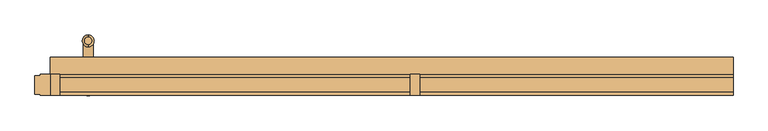
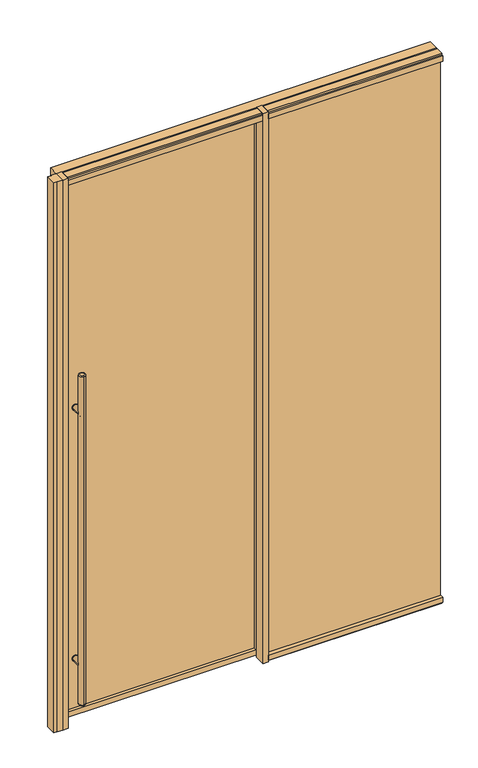
"""IFC4 building model written with IfcOpenShell, lengths in millimetres: door geometry."""

from ifc_helpers import new_model, si_unit, point, frame, frame_2d, origin, origin_with_axes, place, context, project, spatial, polyline, circle_curve, ellipse_curve, trimmed, segment, composite_curve, outline, extrude, source, transform, mapped, element, save
from ifc_brep_helpers import plane_surface, cylinder_surface, revolved_surface, advanced_brep


def door_18ead084(model_context):
    return source(origin(), model_context, "Body", "SolidModel", [
        extrude(outline(composite_curve([segment(trimmed(circle_curve(frame_2d((312.7375, -885.825)), 15.875), [point((312.7375, -901.7))], [point((312.7375, -869.95))], False, "CARTESIAN"), True, "CONTINUOUS"), segment(trimmed(circle_curve(frame_2d((312.7375, -885.825)), 15.875), [point((312.7375, -869.95))], [point((312.7375, -901.7))], False, "CARTESIAN"), True, "CONTINUOUS")], self_intersect=False)), frame((0.0, 47.625, 0.0), z_axis=(0.0, 1.0, 0.0), x_axis=(0.0, 0.0, 1.0)), (0.0, 0.0, 1.0), 3.175),
        extrude(outline(composite_curve([segment(trimmed(circle_curve(frame_2d((1703.3875, -885.825)), 15.875), [point((1703.3875, -869.95))], [point((1703.3875, -901.7))], False, "CARTESIAN"), True, "CONTINUOUS"), segment(trimmed(circle_curve(frame_2d((1703.3875, -885.825)), 15.875), [point((1703.3875, -901.7))], [point((1703.3875, -869.95))], False, "CARTESIAN"), True, "CONTINUOUS")], self_intersect=False)), frame((0.0, 47.625, 0.0), z_axis=(0.0, 1.0, 0.0), x_axis=(0.0, 0.0, 1.0)), (0.0, 0.0, 1.0), 3.175),
        extrude(outline(composite_curve([segment(trimmed(circle_curve(frame_2d((312.7375, -885.825)), 15.875), [point((312.7375, -901.7))], [point((312.7375, -869.95))], False, "CARTESIAN"), True, "CONTINUOUS"), segment(trimmed(circle_curve(frame_2d((312.7375, -885.825)), 15.875), [point((312.7375, -869.95))], [point((312.7375, -901.7))], False, "CARTESIAN"), True, "CONTINUOUS")], self_intersect=False)), frame((0.0, 63.5, 0.0), z_axis=(0.0, 1.0, 0.0), x_axis=(0.0, 0.0, 1.0)), (0.0, 0.0, 1.0), 3.175),
        extrude(outline(composite_curve([segment(trimmed(circle_curve(frame_2d((1703.3875, -885.825)), 15.875), [point((1703.3875, -901.7))], [point((1703.3875, -869.95))], False, "CARTESIAN"), True, "CONTINUOUS"), segment(trimmed(circle_curve(frame_2d((1703.3875, -885.825)), 15.875), [point((1703.3875, -869.95))], [point((1703.3875, -901.7))], False, "CARTESIAN"), True, "CONTINUOUS")], self_intersect=False)), frame((0.0, 63.5, 0.0), z_axis=(0.0, 1.0, 0.0), x_axis=(0.0, 0.0, 1.0)), (0.0, 0.0, 1.0), 3.175),
        extrude(outline(composite_curve([segment(trimmed(circle_curve(frame_2d((312.7375, -885.825)), 14.2875), [point((312.7375, -871.5375))], [point((312.7375, -900.1125))], False, "CARTESIAN"), True, "CONTINUOUS"), segment(trimmed(circle_curve(frame_2d((312.7375, -885.825)), 14.2875), [point((312.7375, -900.1125))], [point((312.7375, -871.5375))], False, "CARTESIAN"), True, "CONTINUOUS")], self_intersect=False)), frame((0.0, 63.5, 0.0), z_axis=(0.0, 1.0, 0.0), x_axis=(0.0, 0.0, 1.0)), (0.0, 0.0, 1.0), 65.0875),
        extrude(outline(composite_curve([segment(trimmed(circle_curve(frame_2d((1703.3875, -885.825)), 14.2875), [point((1703.3875, -871.5375))], [point((1703.3875, -900.1125))], False, "CARTESIAN"), True, "CONTINUOUS"), segment(trimmed(circle_curve(frame_2d((1703.3875, -885.825)), 14.2875), [point((1703.3875, -900.1125))], [point((1703.3875, -871.5375))], False, "CARTESIAN"), True, "CONTINUOUS")], self_intersect=False)), frame((0.0, 63.5, 0.0), z_axis=(0.0, 1.0, 0.0), x_axis=(0.0, 0.0, 1.0)), (0.0, 0.0, 1.0), 65.0875),
        advanced_brep(
        [(-885.825, -3.4925, 1924.05), (-885.825, -25.0825, 1924.05), (-885.825, -25.0825, 95.25), (-885.825, -3.4925, 95.25), (-885.825, -31.4325, 101.6), (-885.825, 2.8575, 101.6), (-885.825, 2.8575, 1917.7), (-885.825, -31.4325, 1917.7)],
        [
            (0, 1, circle_curve(frame((-885.825, -14.2875, 1924.05), z_axis=(0.0, 0.0, 1.0), x_axis=(0.0, 1.0, 0.0)), 10.795)),
            (1, 0, circle_curve(frame((-885.825, -14.2875, 1924.05), z_axis=(0.0, 0.0, 1.0), x_axis=(0.0, 1.0, 0.0)), 10.795)),
            (2, 3, circle_curve(frame((-885.825, -14.2875, 95.25), z_axis=(0.0, 0.0, -1.0), x_axis=(0.0, 1.0, 0.0)), 10.795)),
            (3, 2, circle_curve(frame((-885.825, -14.2875, 95.25), z_axis=(0.0, 0.0, -1.0), x_axis=(0.0, 1.0, 0.0)), 10.795)),
            (4, 5, circle_curve(frame((-885.825, -14.2875, 101.6), z_axis=(0.0, 0.0, 1.0), x_axis=(0.0, 1.0, 0.0)), 17.145)),
            (5, 6),
            (6, 7, circle_curve(frame((-885.825, -14.2875, 1917.7), z_axis=(0.0, 0.0, -1.0), x_axis=(0.0, 1.0, 0.0)), 17.145)),
            (7, 4),
            (5, 4, circle_curve(frame((-885.825, -14.2875, 101.6), z_axis=(0.0, 0.0, 1.0), x_axis=(0.0, 1.0, 0.0)), 17.145)),
            (7, 6, circle_curve(frame((-885.825, -14.2875, 1917.7), z_axis=(0.0, 0.0, -1.0), x_axis=(0.0, 1.0, 0.0)), 17.145)),
            (2, 4, circle_curve(frame((-885.825, -25.0825, 101.6), z_axis=(-1.0, 0.0, 0.0), x_axis=(0.0, -1.0, 0.0)), 6.35)),
            (5, 3, circle_curve(frame((-885.825, -3.4925, 101.6), z_axis=(-1.0, 0.0, 0.0), x_axis=(0.0, 1.0, 0.0)), 6.35)),
            (7, 1, circle_curve(frame((-885.825, -25.0825, 1917.7), z_axis=(-1.0, 0.0, 0.0), x_axis=(0.0, -1.0, 0.0)), 6.35)),
            (0, 6, circle_curve(frame((-885.825, -3.4925, 1917.7), z_axis=(-1.0, 0.0, 0.0), x_axis=(0.0, 1.0, 0.0)), 6.35)),
        ],
        [
            plane_surface(frame((-885.825, 145.7325, 1924.05), z_axis=(0.0, 0.0, 1.0), x_axis=(-1.0, 0.0, 0.0))),
            plane_surface(frame((-885.825, 145.7325, 95.25), z_axis=(0.0, 0.0, -1.0), x_axis=(1.0, 0.0, 0.0))),
            cylinder_surface(frame((-885.825, -14.2875, 95.25), z_axis=(0.0, 0.0, 1.0), x_axis=(0.0, 1.0, 0.0)), 17.145),
            revolved_surface(trimmed(ellipse_curve(frame((-885.825, -3.4925, 101.6), z_axis=(1.0, 0.0, 0.0), x_axis=(0.0, 1.0, 0.0)), 6.35, 6.35), [point((-885.825, -3.4925, 95.25))], [point((-885.825, 2.8575, 101.6))], True, "CARTESIAN"), (-885.825, -14.2875, 2533.65), (0.0, 0.0, 1.0)),
            revolved_surface(trimmed(ellipse_curve(frame((-885.825, -3.4925, 1917.7), z_axis=(1.0, 0.0, 0.0), x_axis=(0.0, 1.0, 0.0)), 6.35, 6.35), [point((-885.825, 2.8575, 1917.7))], [point((-885.825, -3.4925, 1924.05))], True, "CARTESIAN"), (-885.825, -14.2875, -514.35), (0.0, 0.0, 1.0)),
        ],
        [
            (0, [[1, 2]]),
            (1, [[3, 4]]),
            (2, [[5, 6, 7, 8]]),
            (2, [[9, -8, 10, -6]]),
            (3, [[11, -9, 12, -3]]),
            (3, [[-11, -4, -12, -5]]),
            (4, [[13, -1, 14, -10]]),
            (4, [[-13, -7, -14, -2]]),
        ],
    ),
        advanced_brep(
        [(-885.825, 139.3825, 1924.05), (-885.825, 117.7925, 1924.05), (-885.825, 117.7925, 95.25), (-885.825, 139.3825, 95.25), (-885.825, 111.4425, 101.6), (-885.825, 145.7325, 101.6), (-885.825, 145.7325, 1917.7), (-885.825, 111.4425, 1917.7)],
        [
            (0, 1, circle_curve(frame((-885.825, 128.5875, 1924.05), z_axis=(0.0, 0.0, 1.0), x_axis=(0.0, -1.0, 0.0)), 10.795)),
            (1, 0, circle_curve(frame((-885.825, 128.5875, 1924.05), z_axis=(0.0, 0.0, 1.0), x_axis=(0.0, -1.0, 0.0)), 10.795)),
            (2, 3, circle_curve(frame((-885.825, 128.5875, 95.25), z_axis=(0.0, 0.0, -1.0), x_axis=(0.0, -1.0, 0.0)), 10.795)),
            (3, 2, circle_curve(frame((-885.825, 128.5875, 95.25), z_axis=(0.0, 0.0, -1.0), x_axis=(0.0, -1.0, 0.0)), 10.795)),
            (4, 5, circle_curve(frame((-885.825, 128.5875, 101.6), z_axis=(0.0, 0.0, 1.0), x_axis=(0.0, 1.0, 0.0)), 17.145)),
            (5, 6),
            (6, 7, circle_curve(frame((-885.825, 128.5875, 1917.7), z_axis=(0.0, 0.0, -1.0), x_axis=(0.0, 1.0, 0.0)), 17.145)),
            (7, 4),
            (5, 4, circle_curve(frame((-885.825, 128.5875, 101.6), z_axis=(0.0, 0.0, 1.0), x_axis=(0.0, 1.0, 0.0)), 17.145)),
            (7, 6, circle_curve(frame((-885.825, 128.5875, 1917.7), z_axis=(0.0, 0.0, -1.0), x_axis=(0.0, 1.0, 0.0)), 17.145)),
            (5, 3, circle_curve(frame((-885.825, 139.3825, 101.6), z_axis=(-1.0, 0.0, 0.0), x_axis=(0.0, 1.0, 0.0)), 6.35)),
            (2, 4, circle_curve(frame((-885.825, 117.7925, 101.6), z_axis=(-1.0, 0.0, 0.0), x_axis=(0.0, -1.0, 0.0)), 6.35)),
            (0, 6, circle_curve(frame((-885.825, 139.3825, 1917.7), z_axis=(-1.0, 0.0, 0.0), x_axis=(0.0, 1.0, 0.0)), 6.35)),
            (7, 1, circle_curve(frame((-885.825, 117.7925, 1917.7), z_axis=(-1.0, 0.0, 0.0), x_axis=(0.0, -1.0, 0.0)), 6.35)),
        ],
        [
            plane_surface(frame((-885.825, 145.7325, 1924.05), z_axis=(0.0, 0.0, 1.0), x_axis=(-1.0, 0.0, 0.0))),
            plane_surface(frame((-885.825, 145.7325, 95.25), z_axis=(0.0, 0.0, -1.0), x_axis=(1.0, 0.0, 0.0))),
            cylinder_surface(frame((-885.825, 128.5875, 95.25), z_axis=(0.0, 0.0, 1.0), x_axis=(0.0, 1.0, 0.0)), 17.145),
            revolved_surface(trimmed(ellipse_curve(frame((-885.825, 117.7925, 101.6), z_axis=(1.0, 0.0, 0.0), x_axis=(0.0, -1.0, 0.0)), 6.35, 6.35), [point((-885.825, 111.4425, 101.6))], [point((-885.825, 117.7925, 95.25))], True, "CARTESIAN"), (-885.825, 128.5875, 2533.65), (0.0, 0.0, -1.0)),
            revolved_surface(trimmed(ellipse_curve(frame((-885.825, 117.7925, 1917.7), z_axis=(1.0, 0.0, 0.0), x_axis=(0.0, -1.0, 0.0)), 6.35, 6.35), [point((-885.825, 117.7925, 1924.05))], [point((-885.825, 111.4425, 1917.7))], True, "CARTESIAN"), (-885.825, 128.5875, -514.35), (0.0, 0.0, -1.0)),
        ],
        [
            (0, [[1, 2]]),
            (1, [[3, 4]]),
            (2, [[5, 6, 7, 8]]),
            (2, [[9, -8, 10, -6]]),
            (3, [[11, -3, 12, -9]]),
            (3, [[-11, -5, -12, -4]]),
            (4, [[13, -10, 14, -1]]),
            (4, [[-13, -2, -14, -7]]),
        ],
    ),
        extrude(outline(composite_curve([segment(trimmed(circle_curve(frame_2d((312.7375, -885.825)), 14.2875), [point((312.7375, -871.5375))], [point((312.7375, -900.1125))], False, "CARTESIAN"), True, "CONTINUOUS"), segment(trimmed(circle_curve(frame_2d((312.7375, -885.825)), 14.2875), [point((312.7375, -900.1125))], [point((312.7375, -871.5375))], False, "CARTESIAN"), True, "CONTINUOUS")], self_intersect=False)), frame((0.0, -14.2875, 0.0), z_axis=(0.0, 1.0, 0.0), x_axis=(0.0, 0.0, 1.0)), (0.0, 0.0, 1.0), 65.0875),
        extrude(outline(composite_curve([segment(trimmed(circle_curve(frame_2d((1703.3875, -885.825)), 14.2875), [point((1703.3875, -871.5375))], [point((1703.3875, -900.1125))], False, "CARTESIAN"), True, "CONTINUOUS"), segment(trimmed(circle_curve(frame_2d((1703.3875, -885.825)), 14.2875), [point((1703.3875, -900.1125))], [point((1703.3875, -871.5375))], False, "CARTESIAN"), True, "CONTINUOUS")], self_intersect=False)), frame((0.0, -14.2875, 0.0), z_axis=(0.0, 1.0, 0.0), x_axis=(0.0, 0.0, 1.0)), (0.0, 0.0, 1.0), 65.0875),
        extrude(outline(polyline([(996.95, 6.35), (996.95, -6.35), (82.5231001, -6.35), (82.5231001, 6.35), (996.95, 6.35)])), origin_with_axes(), (0.0, 0.0, 1.0), 3044.825),
        extrude(outline(polyline([(-996.95, 30.1625), (-996.95, -30.1625), (-1025.525, -30.1625), (-1025.525, -26.9875), (-1041.4, -26.9875), (-1041.4, 26.9875), (-1025.525, 26.9875), (-1025.525, 30.1625), (-996.95, 30.1625)])), origin_with_axes(), (0.0, 0.0, 1.0), 3048.0),
        extrude(outline(polyline([(2997.2, -996.95), (9.525, -996.95), (9.525, 82.5231001), (2997.2, 82.5231001), (2997.2, -996.95)]), holes=[polyline([(2968.625, 53.9481001), (38.1, 53.9481001), (38.1, -968.375), (2968.625, -968.375), (2968.625, 53.9481001)])]), frame((0.0, 34.925, 0.0), z_axis=(0.0, 1.0, 0.0), x_axis=(0.0, 0.0, 1.0)), (0.0, 0.0, 1.0), 44.45),
        extrude(outline(polyline([(82.5231001, 30.1625), (82.5231001, -30.1625), (53.9481001, -30.1625), (53.9481001, 30.1625), (82.5231001, 30.1625)])), origin_with_axes(), (0.0, 0.0, 1.0), 3048.0),
        extrude(outline(polyline([(-968.375, 30.1625), (-968.375, -30.1625), (-996.95, -30.1625), (-996.95, 30.1625), (-968.375, 30.1625)])), origin_with_axes(), (0.0, 0.0, 1.0), 3048.0),
        extrude(outline(polyline([(82.5231001, 63.5), (82.5231001, 50.8), (-996.95, 50.8), (-996.95, 63.5), (82.5231001, 63.5)])), frame((0.0, 0.0, 9.525), z_axis=(0.0, 0.0, 1.0), x_axis=(1.0, 0.0, 0.0)), (0.0, 0.0, 1.0), 2987.675),
        extrude(outline(polyline([(20.6375, 3048.0), (20.6375, 3038.475), (30.1625, 3038.475), (30.1625, 3009.9), (11.1125, 3009.9), (11.1125, 3044.825), (-11.1125, 3044.825), (-11.1125, 3009.9), (-30.1625, 3009.9), (-30.1625, 3038.475), (-20.6375, 3038.475), (-20.6375, 3048.0), (20.6375, 3048.0)])), frame((-968.375, 0.0, 0.0), z_axis=(1.0, 0.0, 0.0), x_axis=(0.0, 1.0, 0.0)), (0.0, 0.0, 1.0), 1022.3231001),
        extrude(outline(polyline([(996.95, 80.9625), (996.95, 30.1625), (-996.95, 30.1625), (-996.95, 80.9625), (996.95, 80.9625)])), frame((0.0, 0.0, 3009.9), z_axis=(0.0, 0.0, 1.0), x_axis=(1.0, 0.0, 0.0)), (0.0, 0.0, 1.0), 38.1),
        extrude(outline(polyline([(30.1625, 9.525), (20.6375, 9.525), (20.6375, 0.0), (-20.6375, 0.0), (-20.6375, 9.525), (-30.1625, 9.525), (-30.1625, 38.1), (-11.1125, 38.1), (-11.1125, 3.175), (11.1125, 3.175), (11.1125, 38.1), (30.1625, 38.1), (30.1625, 9.525)])), frame((82.5231001, 0.0, 0.0), z_axis=(1.0, 0.0, 0.0), x_axis=(0.0, 1.0, 0.0)), (0.0, 0.0, 1.0), 914.4268999),
        extrude(outline(polyline([(-30.1625, 3038.475), (-20.6375, 3038.475), (-20.6375, 3048.0), (20.6375, 3048.0), (20.6375, 3038.475), (30.1625, 3038.475), (30.1625, 3009.9), (11.1125, 3009.9), (11.1125, 3044.825), (-11.1125, 3044.825), (-11.1125, 3009.9), (-30.1625, 3009.9), (-30.1625, 3038.475)])), frame((82.5231001, 0.0, 0.0), z_axis=(1.0, 0.0, 0.0), x_axis=(0.0, 1.0, 0.0)), (0.0, 0.0, 1.0), 914.4268999),
    ])


if __name__ == "__main__":
    model = new_model("IFC4")
    model_context = context("Model", 3, world=origin())
    ifc_project = project(units=[si_unit("LENGTHUNIT", "METRE", prefix="MILLI")], contexts=[model_context])
    site = spatial("IfcSite", under=ifc_project)
    building = spatial("IfcBuilding", under=site)
    placement = place(None, origin())
    door_shape = door_18ead084(model_context)
    element("IfcDoor", 1, at=placement, inside=building, context=model_context, shape_type="MappedRepresentation", body=[
        mapped(door_shape, transform((0.0, 0.0, 0.0), x_axis=(1.0, 0.0, 0.0), y_axis=(0.0, 1.0, 0.0), z_axis=(0.0, 0.0, 1.0))),
    ])
    save(model, "model.ifc")
